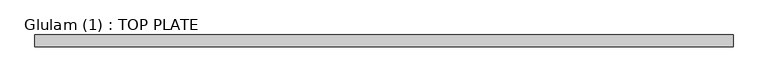
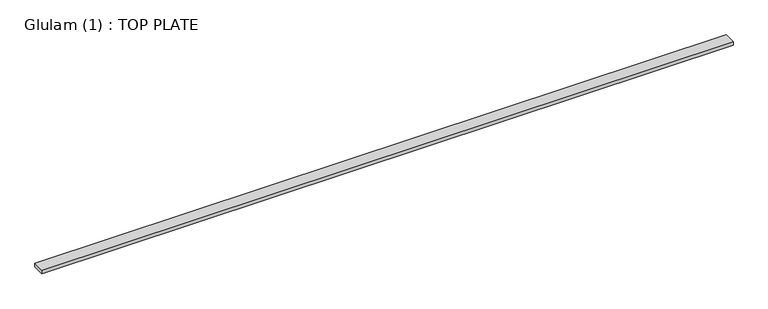
"""IFC4 building model written with IfcOpenShell, lengths in millimetres: beam geometry, Glulam (1) : TOP PLATE."""

from ifc_helpers import new_model, si_unit, frame, origin, place, context, project, spatial, polyline, outline, extrude, source, transform, mapped, element, save


def glulam_1_top_plate_46948286(model_context):
    return source(origin(), model_context, "Body", "SweptSolid", [
        extrude(outline(polyline([(4051.0, 70.0), (4051.0, -70.0), (-4191.0, -70.0), (-4191.0, 70.0), (4051.0, 70.0)])), frame((0.0, 0.0, -22.5), z_axis=(0.0, 0.0, 1.0), x_axis=(1.0, 0.0, 0.0)), (0.0, 0.0, 1.0), 45.0),
    ])


if __name__ == "__main__":
    model = new_model("IFC4")
    model_context = context("Model", 3, world=origin())
    ifc_project = project(units=[si_unit("LENGTHUNIT", "METRE", prefix="MILLI")], contexts=[model_context])
    site = spatial("IfcSite", under=ifc_project)
    building = spatial("IfcBuilding", under=site)
    placement = place(None, origin())
    glulam_1_top_plate_shape = glulam_1_top_plate_46948286(model_context)
    element("IfcBeam", 1, ObjectType="Glulam (1) : TOP PLATE", at=placement, inside=building, context=model_context, shape_type="MappedRepresentation", body=[
        mapped(glulam_1_top_plate_shape, transform((0.0, 0.0, 0.0), x_axis=(1.0, 0.0, 0.0), y_axis=(0.0, 1.0, 0.0), z_axis=(0.0, 0.0, 1.0))),
    ])
    save(model, "model.ifc")
